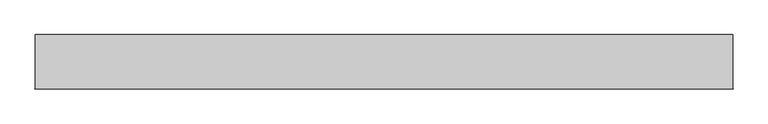
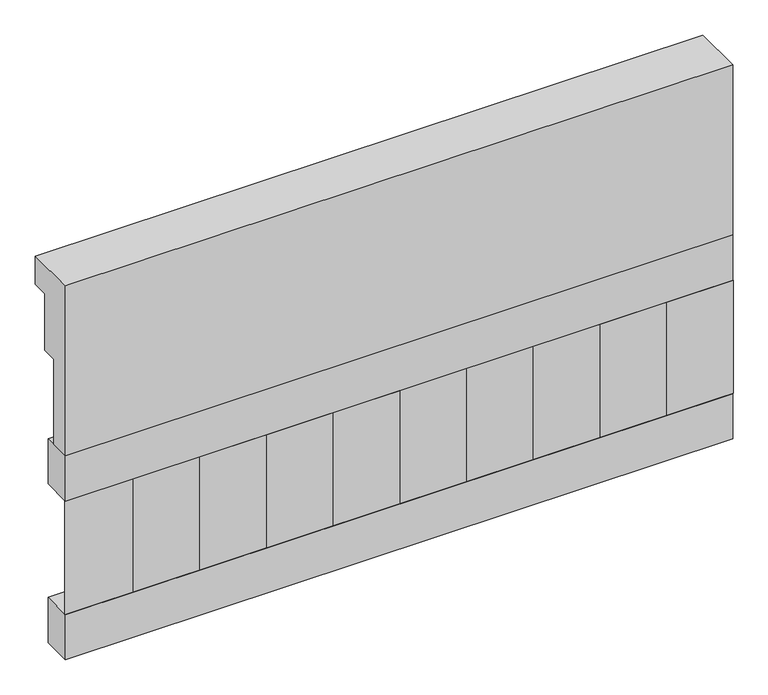
"""IFC4 building model written with IfcOpenShell, lengths in millimetres: railing geometry."""

from ifc_helpers import new_model, si_unit, frame, origin, place, context, project, spatial, polyline, outline, extrude, source, transform, mapped, element, save


def railing_80a2510b(model_context):
    return source(origin(), model_context, "Body", "SweptSolid", [
        extrude(outline(polyline([(903.1079487, 21800.0), (1033.1079487, 21800.0), (1033.1079487, 21725.0), (993.1079487, 21725.0), (993.1079487, 21575.0), (953.1079487, 21575.0), (953.1079487, 21350.0), (903.1079487, 21350.0), (903.1079487, 21800.0)])), frame((-40039.9887159, 0.0, 0.0), z_axis=(1.0, 0.0, 0.0), x_axis=(0.0, 1.0, 0.0)), (0.0, 0.0, 1.0), 1670.0),
        extrude(outline(polyline([(-38369.9887159, 978.1079487), (-38369.9887159, 903.1079487), (-40039.9887159, 903.1079487), (-40039.9887159, 978.1079487), (-38369.9887159, 978.1079487)])), frame((0.0, 0.0, 21230.0), z_axis=(0.0, 0.0, 1.0), x_axis=(1.0, 0.0, 0.0)), (0.0, 0.0, 1.0), 120.0),
        extrude(outline(polyline([(-38369.9887159, 978.1079487), (-38369.9887159, 903.1079487), (-40039.9887159, 903.1079487), (-40039.9887159, 978.1079487), (-38369.9887159, 978.1079487)])), frame((0.0, 0.0, 20810.0), z_axis=(0.0, 0.0, 1.0), x_axis=(1.0, 0.0, 0.0)), (0.0, 0.0, 1.0), 120.0),
        extrude(outline(polyline([(-39956.4887159, 987.9607624), (-39871.6359022, 903.1079487), (-40041.3415296, 903.1079487), (-39956.4887159, 987.9607624)])), frame((0.0, 0.0, 20930.0), z_axis=(0.0, 0.0, 1.0), x_axis=(1.0, 0.0, 0.0)), (0.0, 0.0, 1.0), 300.0),
        extrude(outline(polyline([(-39789.4887159, 987.9607624), (-39704.6359022, 903.1079487), (-39874.3415296, 903.1079487), (-39789.4887159, 987.9607624)])), frame((0.0, 0.0, 20930.0), z_axis=(0.0, 0.0, 1.0), x_axis=(1.0, 0.0, 0.0)), (0.0, 0.0, 1.0), 300.0),
        extrude(outline(polyline([(-39622.4887159, 987.9607624), (-39537.6359022, 903.1079487), (-39707.3415296, 903.1079487), (-39622.4887159, 987.9607624)])), frame((0.0, 0.0, 20930.0), z_axis=(0.0, 0.0, 1.0), x_axis=(1.0, 0.0, 0.0)), (0.0, 0.0, 1.0), 300.0),
        extrude(outline(polyline([(-39455.4887159, 987.9607624), (-39370.6359022, 903.1079487), (-39540.3415296, 903.1079487), (-39455.4887159, 987.9607624)])), frame((0.0, 0.0, 20930.0), z_axis=(0.0, 0.0, 1.0), x_axis=(1.0, 0.0, 0.0)), (0.0, 0.0, 1.0), 300.0),
        extrude(outline(polyline([(-39288.4887159, 987.9607624), (-39203.6359022, 903.1079487), (-39373.3415296, 903.1079487), (-39288.4887159, 987.9607624)])), frame((0.0, 0.0, 20930.0), z_axis=(0.0, 0.0, 1.0), x_axis=(1.0, 0.0, 0.0)), (0.0, 0.0, 1.0), 300.0),
        extrude(outline(polyline([(-39121.4887159, 987.9607624), (-39036.6359022, 903.1079487), (-39206.3415296, 903.1079487), (-39121.4887159, 987.9607624)])), frame((0.0, 0.0, 20930.0), z_axis=(0.0, 0.0, 1.0), x_axis=(1.0, 0.0, 0.0)), (0.0, 0.0, 1.0), 300.0),
        extrude(outline(polyline([(-38954.4887159, 987.9607624), (-38869.6359022, 903.1079487), (-39039.3415296, 903.1079487), (-38954.4887159, 987.9607624)])), frame((0.0, 0.0, 20930.0), z_axis=(0.0, 0.0, 1.0), x_axis=(1.0, 0.0, 0.0)), (0.0, 0.0, 1.0), 300.0),
        extrude(outline(polyline([(-38787.4887159, 987.9607624), (-38702.6359022, 903.1079487), (-38872.3415296, 903.1079487), (-38787.4887159, 987.9607624)])), frame((0.0, 0.0, 20930.0), z_axis=(0.0, 0.0, 1.0), x_axis=(1.0, 0.0, 0.0)), (0.0, 0.0, 1.0), 300.0),
        extrude(outline(polyline([(-38620.4887159, 987.9607624), (-38535.6359022, 903.1079487), (-38705.3415296, 903.1079487), (-38620.4887159, 987.9607624)])), frame((0.0, 0.0, 20930.0), z_axis=(0.0, 0.0, 1.0), x_axis=(1.0, 0.0, 0.0)), (0.0, 0.0, 1.0), 300.0),
        extrude(outline(polyline([(-38453.4887159, 987.9607624), (-38368.6359022, 903.1079487), (-38538.3415296, 903.1079487), (-38453.4887159, 987.9607624)])), frame((0.0, 0.0, 20930.0), z_axis=(0.0, 0.0, 1.0), x_axis=(1.0, 0.0, 0.0)), (0.0, 0.0, 1.0), 300.0),
    ])


if __name__ == "__main__":
    model = new_model("IFC4")
    model_context = context("Model", 3, world=origin())
    ifc_project = project(units=[si_unit("LENGTHUNIT", "METRE", prefix="MILLI")], contexts=[model_context])
    site = spatial("IfcSite", under=ifc_project)
    building = spatial("IfcBuilding", under=site)
    placement = place(None, origin())
    railing_shape = railing_80a2510b(model_context)
    element("IfcRailing", 1, at=placement, inside=building, context=model_context, shape_type="MappedRepresentation", body=[
        mapped(railing_shape, transform((0.0, 0.0, 0.0), x_axis=(1.0, 0.0, 0.0), y_axis=(0.0, 1.0, 0.0), z_axis=(0.0, 0.0, 1.0))),
    ])
    save(model, "model.ifc")
